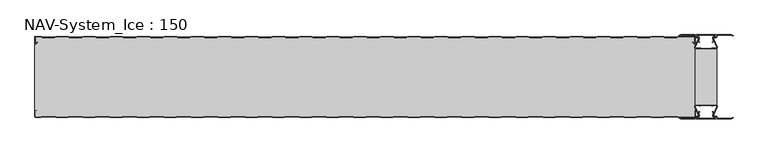
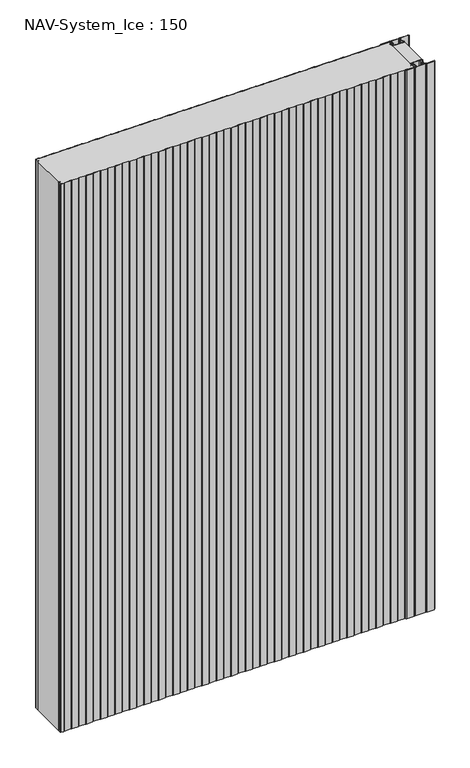
"""IFC4 building model written with IfcOpenShell, lengths in millimetres: plate geometry, NAV-System_Ice : 150."""

from ifc_helpers import new_model, si_unit, point, frame_2d, origin, origin_with_axes, place, context, project, spatial, polyline, circle_curve, trimmed, segment, composite_curve, outline, extrude, source, transform, mapped, element, save


def nav_system_ice_150_0a19c527(model_context):
    return source(origin(), model_context, "Body", "SweptSolid", [
        extrude(outline(polyline([(630.0, -126.9693935), (590.0, -126.9693935), (590.0, -23.0306065), (630.0, -23.0306065), (630.0, -126.9693935)])), origin_with_axes(), (0.0, 0.0, 1.0), 2000.0),
        extrude(outline(composite_curve([segment(trimmed(circle_curve(frame_2d((599.1138734, -141.8417863)), 3.357884), [point((596.1169606, -143.3563483))], [point((597.7243711, -138.7848813))], False, "CARTESIAN"), True, "CONTINUOUS"), segment(polyline([(597.7243711, -138.7848813), (598.0554135, -139.5131744)]), True, "CONTINUOUS"), segment(trimmed(circle_curve(frame_2d((599.1138734, -141.8417863)), 2.557884), [point((598.0554135, -139.5131744))], [point((596.8448746, -143.0226397))], True, "CARTESIAN"), True, "CONTINUOUS"), segment(polyline([(596.8448746, -143.0226397), (597.7376807, -145.2182139)]), True, "CONTINUOUS"), segment(trimmed(circle_curve(frame_2d((593.7962884, -146.3456266)), 4.0994674), [point((597.7376807, -145.2182139))], [point((593.7866434, -150.4450826))], False, "CARTESIAN"), True, "CONTINUOUS"), segment(polyline([(593.7866434, -150.4450826), (592.2194901, -150.4092333)]), True, "CONTINUOUS"), segment(trimmed(circle_curve(frame_2d((592.2592624, -151.3027113)), 0.8943628), [point((592.2194901, -150.4092333))], [point((592.2592624, -152.1970741))], True, "CARTESIAN"), True, "CONTINUOUS"), segment(polyline([(592.2592624, -152.1970741), (627.7407376, -152.1970741)]), True, "CONTINUOUS"), segment(trimmed(circle_curve(frame_2d((627.7407376, -151.3027113)), 0.8943628), [point((627.7407376, -152.1970741))], [point((627.7805099, -150.4092333))], True, "CARTESIAN"), True, "CONTINUOUS"), segment(polyline([(627.7805099, -150.4092333), (626.2133566, -150.4450826)]), True, "CONTINUOUS"), segment(trimmed(circle_curve(frame_2d((626.2037116, -146.3456266)), 4.0994674), [point((626.2133566, -150.4450826))], [point((622.2623193, -145.2182139))], False, "CARTESIAN"), True, "CONTINUOUS"), segment(polyline([(622.2623193, -145.2182139), (623.1551254, -143.0226397)]), True, "CONTINUOUS"), segment(trimmed(circle_curve(frame_2d((620.8861266, -141.8417863)), 2.557884), [point((623.1551254, -143.0226397))], [point((621.9445865, -139.5131744))], True, "CARTESIAN"), True, "CONTINUOUS"), segment(polyline([(621.9445865, -139.5131744), (622.2756289, -138.7848813)]), True, "CONTINUOUS"), segment(trimmed(circle_curve(frame_2d((620.8861266, -141.8417863)), 3.357884), [point((622.2756289, -138.7848813))], [point((623.8830394, -143.3563483))], False, "CARTESIAN"), True, "CONTINUOUS"), segment(polyline([(623.8830394, -143.3563483), (623.0205049, -145.4774793)]), True, "CONTINUOUS"), segment(trimmed(circle_curve(frame_2d((626.2037116, -146.3456266)), 3.2994674), [point((623.0205049, -145.4774793))], [point((626.2037116, -149.645094))], True, "CARTESIAN"), True, "CONTINUOUS"), segment(polyline([(626.2037116, -149.645094), (627.7848884, -149.6089239)]), True, "CONTINUOUS"), segment(trimmed(circle_curve(frame_2d((627.7407376, -151.3027113)), 1.6943628), [point((627.7848884, -149.6089239))], [point((627.7407423, -152.9970741))], False, "CARTESIAN"), True, "CONTINUOUS"), segment(polyline([(627.7407423, -152.9970741), (592.2592577, -152.9970741)]), True, "CONTINUOUS"), segment(trimmed(circle_curve(frame_2d((592.2592624, -151.3027113)), 1.6943628), [point((592.2592577, -152.9970741))], [point((592.2151116, -149.6089239))], False, "CARTESIAN"), True, "CONTINUOUS"), segment(polyline([(592.2151116, -149.6089239), (593.7962884, -149.645094)]), True, "CONTINUOUS"), segment(trimmed(circle_curve(frame_2d((593.7962884, -146.3456266)), 3.2994674), [point((593.7962884, -149.645094))], [point((596.9794951, -145.4774793))], True, "CARTESIAN"), True, "CONTINUOUS"), segment(polyline([(596.9794951, -145.4774793), (596.1169606, -143.3563483)]), True, "CONTINUOUS")], self_intersect=False)), origin_with_axes(), (0.0, 0.0, 1.0), 2000.0),
        extrude(outline(composite_curve([segment(polyline([(596.1169606, -6.6436517), (596.9794951, -4.5225207)]), True, "CONTINUOUS"), segment(trimmed(circle_curve(frame_2d((593.7962884, -3.6543734)), 3.2994674), [point((596.9794951, -4.5225207))], [point((593.7962884, -0.354906))], True, "CARTESIAN"), True, "CONTINUOUS"), segment(polyline([(593.7962884, -0.354906), (592.2151116, -0.3910761)]), True, "CONTINUOUS"), segment(trimmed(circle_curve(frame_2d((592.2592624, 1.3027113)), 1.6943628), [point((592.2151116, -0.3910761))], [point((592.2592577, 2.9970741))], False, "CARTESIAN"), True, "CONTINUOUS"), segment(polyline([(592.2592577, 2.9970741), (627.7407423, 2.9970741)]), True, "CONTINUOUS"), segment(trimmed(circle_curve(frame_2d((627.7407376, 1.3027113)), 1.6943628), [point((627.7407423, 2.9970741))], [point((627.7848884, -0.3910761))], False, "CARTESIAN"), True, "CONTINUOUS"), segment(polyline([(627.7848884, -0.3910761), (626.2037116, -0.354906)]), True, "CONTINUOUS"), segment(trimmed(circle_curve(frame_2d((626.2037116, -3.6543734)), 3.2994674), [point((626.2037116, -0.354906))], [point((623.0205049, -4.5225207))], True, "CARTESIAN"), True, "CONTINUOUS"), segment(polyline([(623.0205049, -4.5225207), (623.8830394, -6.6436517)]), True, "CONTINUOUS"), segment(trimmed(circle_curve(frame_2d((620.8861266, -8.1582137)), 3.357884), [point((623.8830394, -6.6436517))], [point((622.2756289, -11.2151187))], False, "CARTESIAN"), True, "CONTINUOUS"), segment(polyline([(622.2756289, -11.2151187), (621.9445865, -10.4868256)]), True, "CONTINUOUS"), segment(trimmed(circle_curve(frame_2d((620.8861266, -8.1582137)), 2.557884), [point((621.9445865, -10.4868256))], [point((623.1551254, -6.9773603))], True, "CARTESIAN"), True, "CONTINUOUS"), segment(polyline([(623.1551254, -6.9773603), (622.2623193, -4.7817861)]), True, "CONTINUOUS"), segment(trimmed(circle_curve(frame_2d((626.2037116, -3.6543734)), 4.0994674), [point((622.2623193, -4.7817861))], [point((626.2133566, 0.4450826))], False, "CARTESIAN"), True, "CONTINUOUS"), segment(polyline([(626.2133566, 0.4450826), (627.7805099, 0.4092333)]), True, "CONTINUOUS"), segment(trimmed(circle_curve(frame_2d((627.7407376, 1.3027113)), 0.8943628), [point((627.7805099, 0.4092333))], [point((627.7407376, 2.1970741))], True, "CARTESIAN"), True, "CONTINUOUS"), segment(polyline([(627.7407376, 2.1970741), (592.2592624, 2.1970741)]), True, "CONTINUOUS"), segment(trimmed(circle_curve(frame_2d((592.2592624, 1.3027113)), 0.8943628), [point((592.2592624, 2.1970741))], [point((592.2194901, 0.4092333))], True, "CARTESIAN"), True, "CONTINUOUS"), segment(polyline([(592.2194901, 0.4092333), (593.7866434, 0.4450826)]), True, "CONTINUOUS"), segment(trimmed(circle_curve(frame_2d((593.7962884, -3.6543734)), 4.0994674), [point((593.7866434, 0.4450826))], [point((597.7376807, -4.7817861))], False, "CARTESIAN"), True, "CONTINUOUS"), segment(polyline([(597.7376807, -4.7817861), (596.8448746, -6.9773603)]), True, "CONTINUOUS"), segment(trimmed(circle_curve(frame_2d((599.1138734, -8.1582137)), 2.557884), [point((596.8448746, -6.9773603))], [point((598.0554135, -10.4868256))], True, "CARTESIAN"), True, "CONTINUOUS"), segment(polyline([(598.0554135, -10.4868256), (597.7243711, -11.2151187)]), True, "CONTINUOUS"), segment(trimmed(circle_curve(frame_2d((599.1138734, -8.1582137)), 3.357884), [point((597.7243711, -11.2151187))], [point((596.1169606, -6.6436517))], False, "CARTESIAN"), True, "CONTINUOUS")], self_intersect=False)), origin_with_axes(), (0.0, 0.0, 1.0), 2000.0),
        extrude(outline(composite_curve([segment(trimmed(circle_curve(frame_2d((591.9446371, -129.7746821)), 1.80576), [point((591.9446371, -127.9689221))], [point((590.2170288, -130.300171))], True, "CARTESIAN"), True, "CONTINUOUS"), segment(polyline([(590.2170288, -130.300171), (596.4690067, -144.9459892)]), True, "CONTINUOUS"), segment(trimmed(circle_curve(frame_2d((593.7254406, -145.9868127)), 2.93436), [point((596.4690067, -144.9459892))], [point((593.7254406, -148.9211727))], False, "CARTESIAN"), True, "CONTINUOUS"), segment(polyline([(593.7254406, -148.9211727), (592.1347887, -148.9211727)]), True, "CONTINUOUS"), segment(trimmed(circle_curve(frame_2d((592.1347887, -150.5012127)), 1.58004), [point((592.1347887, -148.9211727))], [point((590.931072, -149.4776931))], True, "CARTESIAN"), True, "CONTINUOUS"), segment(polyline([(590.931072, -149.4776931), (589.0191946, -153.0112573), (562.9417977, -153.0112573), (560.0, -151.2043676), (560.523373, -150.3522639), (563.2243806, -152.0112573), (588.4232658, -152.0112573), (590.0952671, -148.9210361)]), True, "CONTINUOUS"), segment(trimmed(circle_curve(frame_2d((592.1347887, -150.5012127)), 2.58004), [point((590.0952671, -148.9210361))], [point((592.1347887, -147.9211727))], False, "CARTESIAN"), True, "CONTINUOUS"), segment(polyline([(592.1347887, -147.9211727), (593.7254406, -147.9211727)]), True, "CONTINUOUS"), segment(trimmed(circle_curve(frame_2d((593.7254406, -145.9868127)), 1.93436), [point((593.7254406, -147.9211727))], [point((595.5404425, -145.3178459))], True, "CARTESIAN"), True, "CONTINUOUS"), segment(polyline([(595.5404425, -145.3178459), (589.2784311, -130.6484726)]), True, "CONTINUOUS"), segment(trimmed(circle_curve(frame_2d((591.9446225, -129.7747413)), 2.8057055), [point((589.2784311, -130.6484726))], [point((591.9446225, -126.9690357))], False, "CARTESIAN"), True, "CONTINUOUS"), segment(polyline([(591.9446225, -126.9690357), (595.755568, -126.9690357)]), True, "CONTINUOUS"), segment(trimmed(circle_curve(frame_2d((595.7555679, -129.0975873)), 2.1285516), [point((595.755568, -126.9690357))], [point((597.1042828, -127.4508633))], False, "CARTESIAN"), True, "CONTINUOUS"), segment(trimmed(circle_curve(frame_2d((598.2552034, -126.0456377)), 1.8163913), [point((597.1042828, -127.4508633))], [point((599.4059468, -127.4510085))], True, "CARTESIAN"), True, "CONTINUOUS"), segment(trimmed(circle_curve(frame_2d((600.7543352, -129.0977575)), 2.128364), [point((599.4059468, -127.4510085))], [point((600.7543352, -126.9693935))], False, "CARTESIAN"), True, "CONTINUOUS"), segment(polyline([(600.7543352, -126.9693935), (619.2454674, -126.9693935)]), True, "CONTINUOUS"), segment(trimmed(circle_curve(frame_2d((619.2454674, -129.0977884)), 2.1283949), [point((619.2454674, -126.9693935))], [point((620.594293, -127.4513576))], False, "CARTESIAN"), True, "CONTINUOUS"), segment(trimmed(circle_curve(frame_2d((621.7456338, -126.0459847)), 1.8167715), [point((620.594293, -127.4513576))], [point((622.8963798, -127.4518446))], True, "CARTESIAN"), True, "CONTINUOUS"), segment(trimmed(circle_curve(frame_2d((624.244105, -129.0983528)), 2.1277576), [point((622.8963798, -127.4518446))], [point((624.244105, -126.9705952))], False, "CARTESIAN"), True, "CONTINUOUS"), segment(polyline([(624.244105, -126.9705952), (628.0535675, -126.9705952)]), True, "CONTINUOUS"), segment(trimmed(circle_curve(frame_2d((628.0535675, -129.7787791)), 2.8081839), [point((628.0535675, -126.9705952))], [point((630.7287795, -130.6326746))], False, "CARTESIAN"), True, "CONTINUOUS"), segment(polyline([(630.7287795, -130.6326746), (624.4595575, -145.3178459)]), True, "CONTINUOUS"), segment(trimmed(circle_curve(frame_2d((626.2745595, -145.9868127)), 1.93436), [point((624.4595575, -145.3178459))], [point((626.2745595, -147.9211727))], True, "CARTESIAN"), True, "CONTINUOUS"), segment(polyline([(626.2745595, -147.9211727), (627.8652113, -147.9211727)]), True, "CONTINUOUS"), segment(trimmed(circle_curve(frame_2d((627.8652113, -150.5012127)), 2.58004), [point((627.8652113, -147.9211727))], [point((629.9047329, -148.9210361))], False, "CARTESIAN"), True, "CONTINUOUS"), segment(polyline([(629.9047329, -148.9210361), (631.5767342, -152.0112573), (656.7756194, -152.0112573), (659.476627, -150.3522639), (660.0, -151.2043676), (657.0582024, -153.0112573), (630.9808054, -153.0112573), (629.068928, -149.4776931)]), True, "CONTINUOUS"), segment(trimmed(circle_curve(frame_2d((627.8652113, -150.5012127)), 1.58004), [point((629.068928, -149.4776931))], [point((627.8652113, -148.9211727))], True, "CARTESIAN"), True, "CONTINUOUS"), segment(polyline([(627.8652113, -148.9211727), (626.2745595, -148.9211727)]), True, "CONTINUOUS"), segment(trimmed(circle_curve(frame_2d((626.2745595, -145.9868127)), 2.93436), [point((626.2745595, -148.9211727))], [point((623.5309933, -144.9459892))], False, "CARTESIAN"), True, "CONTINUOUS"), segment(polyline([(623.5309933, -144.9459892), (629.7829713, -130.300171)]), True, "CONTINUOUS"), segment(trimmed(circle_curve(frame_2d((628.0553629, -129.7746822)), 1.80576), [point((629.7829713, -130.300171))], [point((628.0553629, -127.9689222))], True, "CARTESIAN"), True, "CONTINUOUS"), segment(polyline([(628.0553629, -127.9689222), (623.5184731, -127.9689222)]), True, "CONTINUOUS"), segment(trimmed(circle_curve(frame_2d((621.7449981, -126.0455076)), 2.6162449), [point((623.5184731, -127.9689222))], [point((619.7766029, -127.7689222))], False, "CARTESIAN"), True, "CONTINUOUS"), segment(polyline([(619.7766029, -127.7689222), (600.2233971, -127.7689222)]), True, "CONTINUOUS"), segment(trimmed(circle_curve(frame_2d((598.255002, -126.0455076)), 2.6162449), [point((600.2233971, -127.7689222))], [point((596.4815269, -127.9689221))], False, "CARTESIAN"), True, "CONTINUOUS"), segment(polyline([(596.4815269, -127.9689221), (591.9446371, -127.9689221)]), True, "CONTINUOUS")], self_intersect=False)), origin_with_axes(), (0.0, 0.0, 1.0), 2000.0),
        extrude(outline(composite_curve([segment(polyline([(591.9446371, -22.0310778), (596.4815269, -22.0310778)]), True, "CONTINUOUS"), segment(trimmed(circle_curve(frame_2d((598.2550019, -23.9544924)), 2.6162449), [point((596.4815269, -22.0310778))], [point((600.2233971, -22.2310778))], False, "CARTESIAN"), True, "CONTINUOUS"), segment(polyline([(600.2233971, -22.2310778), (619.7766029, -22.2310778)]), True, "CONTINUOUS"), segment(trimmed(circle_curve(frame_2d((621.7449981, -23.9544924)), 2.6162449), [point((619.7766029, -22.2310778))], [point((623.5184731, -22.0310778))], False, "CARTESIAN"), True, "CONTINUOUS"), segment(polyline([(623.5184731, -22.0310778), (628.0553629, -22.0310778)]), True, "CONTINUOUS"), segment(trimmed(circle_curve(frame_2d((628.0553629, -20.2253178)), 1.80576), [point((628.0553629, -22.0310778))], [point((629.7829712, -19.699829))], True, "CARTESIAN"), True, "CONTINUOUS"), segment(polyline([(629.7829712, -19.699829), (623.5309933, -5.0540108)]), True, "CONTINUOUS"), segment(trimmed(circle_curve(frame_2d((626.2745594, -4.0131873)), 2.93436), [point((623.5309933, -5.0540108))], [point((626.2745594, -1.0788273))], False, "CARTESIAN"), True, "CONTINUOUS"), segment(polyline([(626.2745594, -1.0788273), (627.8652113, -1.0788273)]), True, "CONTINUOUS"), segment(trimmed(circle_curve(frame_2d((627.8652113, 0.5012127)), 1.58004), [point((627.8652113, -1.0788273))], [point((629.068928, -0.5223069))], True, "CARTESIAN"), True, "CONTINUOUS"), segment(polyline([(629.068928, -0.5223069), (630.9808054, 3.0112573), (657.0582023, 3.0112573), (660.0, 1.2043676), (659.476627, 0.3522639), (656.7756194, 2.0112573), (631.5767342, 2.0112573), (629.9047329, -1.0789639)]), True, "CONTINUOUS"), segment(trimmed(circle_curve(frame_2d((627.8652113, 0.5012127)), 2.58004), [point((629.9047329, -1.0789639))], [point((627.8652113, -2.0788273))], False, "CARTESIAN"), True, "CONTINUOUS"), segment(polyline([(627.8652113, -2.0788273), (626.2745594, -2.0788273)]), True, "CONTINUOUS"), segment(trimmed(circle_curve(frame_2d((626.2745594, -4.0131873)), 1.93436), [point((626.2745594, -2.0788273))], [point((624.4595575, -4.6821541))], True, "CARTESIAN"), True, "CONTINUOUS"), segment(polyline([(624.4595575, -4.6821541), (630.7287795, -19.3673254)]), True, "CONTINUOUS"), segment(trimmed(circle_curve(frame_2d((628.0535675, -20.2212209)), 2.8081839), [point((630.7287795, -19.3673254))], [point((628.0535675, -23.0294048))], False, "CARTESIAN"), True, "CONTINUOUS"), segment(polyline([(628.0535675, -23.0294048), (624.244105, -23.0294048)]), True, "CONTINUOUS"), segment(trimmed(circle_curve(frame_2d((624.244105, -20.9016472)), 2.1277576), [point((624.244105, -23.0294048))], [point((622.8963798, -22.5481554))], False, "CARTESIAN"), True, "CONTINUOUS"), segment(trimmed(circle_curve(frame_2d((621.7456337, -23.9540153)), 1.8167716), [point((622.8963798, -22.5481554))], [point((620.5942929, -22.5486423))], True, "CARTESIAN"), True, "CONTINUOUS"), segment(trimmed(circle_curve(frame_2d((619.2454674, -20.9022116)), 2.1283949), [point((620.5942929, -22.5486423))], [point((619.2454674, -23.0306065))], False, "CARTESIAN"), True, "CONTINUOUS"), segment(polyline([(619.2454674, -23.0306065), (600.7543352, -23.0306065)]), True, "CONTINUOUS"), segment(trimmed(circle_curve(frame_2d((600.7543352, -20.9022425)), 2.128364), [point((600.7543352, -23.0306065))], [point((599.4059468, -22.5489915))], False, "CARTESIAN"), True, "CONTINUOUS"), segment(trimmed(circle_curve(frame_2d((598.2552034, -23.9543623)), 1.8163912), [point((599.4059468, -22.5489915))], [point((597.1042828, -22.5491367))], True, "CARTESIAN"), True, "CONTINUOUS"), segment(trimmed(circle_curve(frame_2d((595.7555679, -20.9024127)), 2.1285516), [point((597.1042828, -22.5491367))], [point((595.7555679, -23.0309643))], False, "CARTESIAN"), True, "CONTINUOUS"), segment(polyline([(595.7555679, -23.0309643), (591.9446225, -23.0309643)]), True, "CONTINUOUS"), segment(trimmed(circle_curve(frame_2d((591.9446225, -20.2252587)), 2.8057055), [point((591.9446225, -23.0309643))], [point((589.2784311, -19.3515274))], False, "CARTESIAN"), True, "CONTINUOUS"), segment(polyline([(589.2784311, -19.3515274), (595.5404425, -4.6821541)]), True, "CONTINUOUS"), segment(trimmed(circle_curve(frame_2d((593.7254406, -4.0131873)), 1.93436), [point((595.5404425, -4.6821541))], [point((593.7254406, -2.0788273))], True, "CARTESIAN"), True, "CONTINUOUS"), segment(polyline([(593.7254406, -2.0788273), (592.1347887, -2.0788273)]), True, "CONTINUOUS"), segment(trimmed(circle_curve(frame_2d((592.1347887, 0.5012127)), 2.58004), [point((592.1347887, -2.0788273))], [point((590.0952671, -1.0789639))], False, "CARTESIAN"), True, "CONTINUOUS"), segment(polyline([(590.0952671, -1.0789639), (588.4232658, 2.0112573), (563.2243806, 2.0112573), (560.523373, 0.3522639), (560.0, 1.2043676), (562.9417977, 3.0112573), (589.0191946, 3.0112573), (590.931072, -0.5223069)]), True, "CONTINUOUS"), segment(trimmed(circle_curve(frame_2d((592.1347887, 0.5012127)), 1.58004), [point((590.931072, -0.5223069))], [point((592.1347887, -1.0788273))], True, "CARTESIAN"), True, "CONTINUOUS"), segment(polyline([(592.1347887, -1.0788273), (593.7254406, -1.0788273)]), True, "CONTINUOUS"), segment(trimmed(circle_curve(frame_2d((593.7254406, -4.0131873)), 2.93436), [point((593.7254406, -1.0788273))], [point((596.4690067, -5.0540108))], False, "CARTESIAN"), True, "CONTINUOUS"), segment(polyline([(596.4690067, -5.0540108), (590.2170288, -19.699829)]), True, "CONTINUOUS"), segment(trimmed(circle_curve(frame_2d((591.9446371, -20.2253178)), 1.80576), [point((590.2170288, -19.699829))], [point((591.9446371, -22.0310778))], True, "CARTESIAN"), True, "CONTINUOUS")], self_intersect=False)), origin_with_axes(), (0.0, 0.0, 1.0), 2000.0),
        extrude(outline(composite_curve([segment(polyline([(559.1298221, -0.8), (556.1298221, -1.8), (533.8701779, -1.8), (530.8701779, -0.8), (509.1298221, -0.8), (506.1298221, -1.8), (483.8701779, -1.8), (480.8701779, -0.8), (459.1298221, -0.8), (456.1298221, -1.8), (433.8701779, -1.8), (430.8701779, -0.8), (409.1298221, -0.8), (406.1298221, -1.8), (383.8701779, -1.8), (380.8701779, -0.8), (359.1298221, -0.8), (356.1298221, -1.8), (333.8701779, -1.8), (330.8701779, -0.8), (309.1298221, -0.8), (306.1298221, -1.8), (283.8701779, -1.8), (280.8701779, -0.8), (259.1298221, -0.8), (256.1298221, -1.8), (233.8701779, -1.8), (230.8701779, -0.8), (209.1298221, -0.8), (206.1298221, -1.8), (183.8701779, -1.8), (180.8701779, -0.8), (159.1298221, -0.8), (156.1298221, -1.8), (133.8701779, -1.8), (130.8701779, -0.8), (109.1298221, -0.8), (106.1298221, -1.8), (83.8701779, -1.8), (80.8701779, -0.8), (59.1298221, -0.8), (56.1298221, -1.8), (33.8701779, -1.8), (30.8701779, -0.8), (9.1298221, -0.8), (6.1298221, -1.8), (-16.1298221, -1.8), (-19.1298221, -0.8), (-40.8701779, -0.8), (-43.8701779, -1.8), (-66.1298221, -1.8), (-69.1298221, -0.8), (-90.8701779, -0.8), (-93.8701779, -1.8), (-116.1298221, -1.8), (-119.1298221, -0.8), (-140.8701779, -0.8), (-143.8701779, -1.8), (-166.1298221, -1.8), (-169.1298221, -0.8), (-190.8701779, -0.8), (-193.8701779, -1.8), (-216.1298221, -1.8), (-219.1298221, -0.8), (-240.8701779, -0.8), (-243.8701779, -1.8), (-266.1298221, -1.8), (-269.1298221, -0.8), (-290.8701779, -0.8), (-293.8701779, -1.8), (-316.1298221, -1.8), (-319.1298221, -0.8), (-340.8701779, -0.8), (-343.8701779, -1.8), (-366.1298221, -1.8), (-369.1298221, -0.8), (-390.8701779, -0.8), (-393.8701779, -1.8), (-416.1298221, -1.8), (-419.1298221, -0.8), (-440.8701779, -0.8), (-443.8701779, -1.8), (-466.1298221, -1.8), (-469.1298221, -0.8), (-490.8701779, -0.8), (-493.8701779, -1.8), (-516.1298221, -1.8), (-519.1298221, -0.8), (-540.8701779, -0.8), (-543.8701779, -1.8), (-566.1298221, -1.8), (-569.1298221, -0.8), (-590.8701779, -0.8), (-593.8701779, -1.8), (-616.1298221, -1.8), (-619.1298221, -0.8), (-628.7, -0.8)]), True, "CONTINUOUS"), segment(trimmed(circle_curve(frame_2d((-628.7, -1.3)), 0.5), [point((-628.7, -0.8))], [point((-629.2, -1.3))], True, "CARTESIAN"), True, "CONTINUOUS"), segment(polyline([(-629.2, -1.3), (-629.2, -12.5857864)]), True, "CONTINUOUS"), segment(trimmed(circle_curve(frame_2d((-628.7, -12.5857864)), 0.5), [point((-629.2, -12.5857864))], [point((-628.3464466, -12.9393398))], True, "CARTESIAN"), True, "CONTINUOUS"), segment(polyline([(-628.3464466, -12.9393398), (-625.9205321, -10.5134253), (-625.3548467, -11.0791108), (-627.7807612, -13.5050253)]), True, "CONTINUOUS"), segment(trimmed(circle_curve(frame_2d((-628.7, -12.5857864)), 1.3), [point((-627.7807612, -13.5050253))], [point((-630.0, -12.5857864))], False, "CARTESIAN"), True, "CONTINUOUS"), segment(polyline([(-630.0, -12.5857864), (-630.0, -1.3)]), True, "CONTINUOUS"), segment(trimmed(circle_curve(frame_2d((-628.7, -1.3)), 1.3), [point((-630.0, -1.3))], [point((-628.7, 0.0))], False, "CARTESIAN"), True, "CONTINUOUS"), segment(polyline([(-628.7, 0.0), (-619.0, 0.0), (-616.0, -1.0), (-594.0, -1.0), (-591.0, 0.0), (-569.0, 0.0), (-566.0, -1.0), (-544.0, -1.0), (-541.0, 0.0), (-519.0, 0.0), (-516.0, -1.0), (-494.0, -1.0), (-491.0, 0.0), (-469.0, 0.0), (-466.0, -1.0), (-444.0, -1.0), (-441.0, 0.0), (-419.0, 0.0), (-416.0, -1.0), (-394.0, -1.0), (-391.0, 0.0), (-369.0, 0.0), (-366.0, -1.0), (-344.0, -1.0), (-341.0, 0.0), (-319.0, 0.0), (-316.0, -1.0), (-294.0, -1.0), (-291.0, 0.0), (-269.0, 0.0), (-266.0, -1.0), (-244.0, -1.0), (-241.0, 0.0), (-219.0, 0.0), (-216.0, -1.0), (-194.0, -1.0), (-191.0, 0.0), (-169.0, 0.0), (-166.0, -1.0), (-144.0, -1.0), (-141.0, 0.0), (-119.0, 0.0), (-116.0, -1.0), (-94.0, -1.0), (-91.0, 0.0), (-69.0, 0.0), (-66.0, -1.0), (-44.0, -1.0), (-41.0, 0.0), (-19.0, 0.0), (-16.0, -1.0), (6.0, -1.0), (9.0, 0.0), (31.0, 0.0), (34.0, -1.0), (56.0, -1.0), (59.0, 0.0), (81.0, 0.0), (84.0, -1.0), (106.0, -1.0), (109.0, 0.0), (131.0, 0.0), (134.0, -1.0), (156.0, -1.0), (159.0, 0.0), (181.0, 0.0), (184.0, -1.0), (206.0, -1.0), (209.0, 0.0), (231.0, 0.0), (234.0, -1.0), (256.0, -1.0), (259.0, 0.0), (281.0, 0.0), (284.0, -1.0), (306.0, -1.0), (309.0, 0.0), (331.0, 0.0), (334.0, -1.0), (356.0, -1.0), (359.0, 0.0), (381.0, 0.0), (384.0, -1.0), (406.0, -1.0), (409.0, 0.0), (431.0, 0.0), (434.0, -1.0), (456.0, -1.0), (459.0, 0.0), (481.0, 0.0), (484.0, -1.0), (506.0, -1.0), (509.0, 0.0), (531.0, 0.0), (534.0, -1.0), (556.0, -1.0), (559.0, 0.0), (588.7, 0.0)]), True, "CONTINUOUS"), segment(trimmed(circle_curve(frame_2d((588.7, -1.3)), 1.3), [point((588.7, 0.0))], [point((590.0, -1.3))], False, "CARTESIAN"), True, "CONTINUOUS"), segment(polyline([(590.0, -1.3), (590.0, -12.5857864)]), True, "CONTINUOUS"), segment(trimmed(circle_curve(frame_2d((588.7, -12.5857864)), 1.3), [point((590.0, -12.5857864))], [point((587.7807612, -13.5050253))], False, "CARTESIAN"), True, "CONTINUOUS"), segment(polyline([(587.7807612, -13.5050253), (585.3548467, -11.0791108), (585.9205321, -10.5134253), (588.3464466, -12.9393398)]), True, "CONTINUOUS"), segment(trimmed(circle_curve(frame_2d((588.7, -12.5857864)), 0.5), [point((588.3464466, -12.9393398))], [point((589.2, -12.5857864))], True, "CARTESIAN"), True, "CONTINUOUS"), segment(polyline([(589.2, -12.5857864), (589.2, -1.3)]), True, "CONTINUOUS"), segment(trimmed(circle_curve(frame_2d((588.7, -1.3)), 0.5), [point((589.2, -1.3))], [point((588.7, -0.8))], True, "CARTESIAN"), True, "CONTINUOUS"), segment(polyline([(588.7, -0.8), (559.1298221, -0.8)]), True, "CONTINUOUS")], self_intersect=False)), origin_with_axes(), (0.0, 0.0, 1.0), 2000.0),
        extrude(outline(composite_curve([segment(polyline([(559.1298221, -0.8), (588.7, -0.8)]), True, "CONTINUOUS"), segment(trimmed(circle_curve(frame_2d((588.7, -1.3)), 0.5), [point((588.7, -0.8))], [point((589.2, -1.3))], False, "CARTESIAN"), True, "CONTINUOUS"), segment(polyline([(589.2, -1.3), (589.2, -12.5857864)]), True, "CONTINUOUS"), segment(trimmed(circle_curve(frame_2d((588.7, -12.5857864)), 0.5), [point((589.2, -12.5857864))], [point((588.3464466, -12.9393398))], False, "CARTESIAN"), True, "CONTINUOUS"), segment(polyline([(588.3464466, -12.9393398), (585.9205321, -10.5134253), (585.3548467, -11.0791108), (587.7807612, -13.5050253)]), True, "CONTINUOUS"), segment(trimmed(circle_curve(frame_2d((588.7, -12.5857864)), 1.3), [point((587.7807612, -13.5050253))], [point((588.7, -13.8857864))], True, "CARTESIAN"), True, "CONTINUOUS"), segment(polyline([(588.7, -13.8857864), (590.0, -13.8857864), (590.0, -136.1142136), (588.7, -136.1142136)]), True, "CONTINUOUS"), segment(trimmed(circle_curve(frame_2d((588.7, -137.4142136)), 1.3), [point((588.7, -136.1142136))], [point((587.7807612, -136.4949747))], True, "CARTESIAN"), True, "CONTINUOUS"), segment(polyline([(587.7807612, -136.4949747), (585.3548467, -138.9208892), (585.9205321, -139.4865747), (588.3464466, -137.0606602)]), True, "CONTINUOUS"), segment(trimmed(circle_curve(frame_2d((588.7, -137.4142136)), 0.5), [point((588.3464466, -137.0606602))], [point((589.2, -137.4142136))], False, "CARTESIAN"), True, "CONTINUOUS"), segment(polyline([(589.2, -137.4142136), (589.2, -148.7)]), True, "CONTINUOUS"), segment(trimmed(circle_curve(frame_2d((588.7, -148.7)), 0.5), [point((589.2, -148.7))], [point((588.7, -149.2))], False, "CARTESIAN"), True, "CONTINUOUS"), segment(polyline([(588.7, -149.2), (559.1298221, -149.2), (556.1298221, -148.2), (533.8701779, -148.2), (530.8701779, -149.2), (509.1298221, -149.2), (506.1298221, -148.2), (483.8701779, -148.2), (480.8701779, -149.2), (459.1298221, -149.2), (456.1298221, -148.2), (433.8701779, -148.2), (430.8701779, -149.2), (409.1298221, -149.2), (406.1298221, -148.2), (383.8701779, -148.2), (380.8701779, -149.2), (359.1298221, -149.2), (356.1298221, -148.2), (333.8701779, -148.2), (330.8701779, -149.2), (309.1298221, -149.2), (306.1298221, -148.2), (283.8701779, -148.2), (280.8701779, -149.2), (259.1298221, -149.2), (256.1298221, -148.2), (233.8701779, -148.2), (230.8701779, -149.2), (209.1298221, -149.2), (206.1298221, -148.2), (183.8701779, -148.2), (180.8701779, -149.2), (159.1298221, -149.2), (156.1298221, -148.2), (133.8701779, -148.2), (130.8701779, -149.2), (109.1298221, -149.2), (106.1298221, -148.2), (83.8701779, -148.2), (80.8701779, -149.2), (59.1298221, -149.2), (56.1298221, -148.2), (33.8701779, -148.2), (30.8701779, -149.2), (9.1298221, -149.2), (6.1298221, -148.2), (-16.1298221, -148.2), (-19.1298221, -149.2), (-40.8701779, -149.2), (-43.8701779, -148.2), (-66.1298221, -148.2), (-69.1298221, -149.2), (-90.8701779, -149.2), (-93.8701779, -148.2), (-116.1298221, -148.2), (-119.1298221, -149.2), (-140.8701779, -149.2), (-143.8701779, -148.2), (-166.1298221, -148.2), (-169.1298221, -149.2), (-190.8701779, -149.2), (-193.8701779, -148.2), (-216.1298221, -148.2), (-219.1298221, -149.2), (-240.8701779, -149.2), (-243.8701779, -148.2), (-266.1298221, -148.2), (-269.1298221, -149.2), (-290.8701779, -149.2), (-293.8701779, -148.2), (-316.1298221, -148.2), (-319.1298221, -149.2), (-340.8701779, -149.2), (-343.8701779, -148.2), (-366.1298221, -148.2), (-369.1298221, -149.2), (-390.8701779, -149.2), (-393.8701779, -148.2), (-416.1298221, -148.2), (-419.1298221, -149.2), (-440.8701779, -149.2), (-443.8701779, -148.2), (-466.1298221, -148.2), (-469.1298221, -149.2), (-490.8701779, -149.2), (-493.8701779, -148.2), (-516.1298221, -148.2), (-519.1298221, -149.2), (-540.8701779, -149.2), (-543.8701779, -148.2), (-566.1298221, -148.2), (-569.1298221, -149.2), (-590.8701779, -149.2), (-593.8701779, -148.2), (-616.1298221, -148.2), (-619.1298221, -149.2), (-628.7, -149.2)]), True, "CONTINUOUS"), segment(trimmed(circle_curve(frame_2d((-628.7, -148.7)), 0.5), [point((-628.7, -149.2))], [point((-629.2, -148.7))], False, "CARTESIAN"), True, "CONTINUOUS"), segment(polyline([(-629.2, -148.7), (-629.2, -137.4142136)]), True, "CONTINUOUS"), segment(trimmed(circle_curve(frame_2d((-628.7, -137.4142136)), 0.5), [point((-629.2, -137.4142136))], [point((-628.3464466, -137.0606602))], False, "CARTESIAN"), True, "CONTINUOUS"), segment(polyline([(-628.3464466, -137.0606602), (-625.9205321, -139.4865747), (-625.3548467, -138.9208892), (-627.7807612, -136.4949747)]), True, "CONTINUOUS"), segment(trimmed(circle_curve(frame_2d((-628.7, -137.4142136)), 1.3), [point((-627.7807612, -136.4949747))], [point((-628.7, -136.1142136))], True, "CARTESIAN"), True, "CONTINUOUS"), segment(polyline([(-628.7, -136.1142136), (-630.0, -136.1142136), (-630.0, -13.8857864), (-628.7, -13.8857864)]), True, "CONTINUOUS"), segment(trimmed(circle_curve(frame_2d((-628.7, -12.5857864)), 1.3), [point((-628.7, -13.8857864))], [point((-627.7807612, -13.5050253))], True, "CARTESIAN"), True, "CONTINUOUS"), segment(polyline([(-627.7807612, -13.5050253), (-625.3548467, -11.0791108), (-625.9205321, -10.5134253), (-628.3464466, -12.9393398)]), True, "CONTINUOUS"), segment(trimmed(circle_curve(frame_2d((-628.7, -12.5857864)), 0.5), [point((-628.3464466, -12.9393398))], [point((-629.2, -12.5857864))], False, "CARTESIAN"), True, "CONTINUOUS"), segment(polyline([(-629.2, -12.5857864), (-629.2, -1.3)]), True, "CONTINUOUS"), segment(trimmed(circle_curve(frame_2d((-628.7, -1.3)), 0.5), [point((-629.2, -1.3))], [point((-628.7, -0.8))], False, "CARTESIAN"), True, "CONTINUOUS"), segment(polyline([(-628.7, -0.8), (-619.1298221, -0.8), (-616.1298221, -1.8), (-593.8701779, -1.8), (-590.8701779, -0.8), (-569.1298221, -0.8), (-566.1298221, -1.8), (-543.8701779, -1.8), (-540.8701779, -0.8), (-519.1298221, -0.8), (-516.1298221, -1.8), (-493.8701779, -1.8), (-490.8701779, -0.8), (-469.1298221, -0.8), (-466.1298221, -1.8), (-443.8701779, -1.8), (-440.8701779, -0.8), (-419.1298221, -0.8), (-416.1298221, -1.8), (-393.8701779, -1.8), (-390.8701779, -0.8), (-369.1298221, -0.8), (-366.1298221, -1.8), (-343.8701779, -1.8), (-340.8701779, -0.8), (-319.1298221, -0.8), (-316.1298221, -1.8), (-293.8701779, -1.8), (-290.8701779, -0.8), (-269.1298221, -0.8), (-266.1298221, -1.8), (-243.8701779, -1.8), (-240.8701779, -0.8), (-219.1298221, -0.8), (-216.1298221, -1.8), (-193.8701779, -1.8), (-190.8701779, -0.8), (-169.1298221, -0.8), (-166.1298221, -1.8), (-143.8701779, -1.8), (-140.8701779, -0.8), (-119.1298221, -0.8), (-116.1298221, -1.8), (-93.8701779, -1.8), (-90.8701779, -0.8), (-69.1298221, -0.8), (-66.1298221, -1.8), (-43.8701779, -1.8), (-40.8701779, -0.8), (-19.1298221, -0.8), (-16.1298221, -1.8), (6.1298221, -1.8), (9.1298221, -0.8), (30.8701779, -0.8), (33.8701779, -1.8), (56.1298221, -1.8), (59.1298221, -0.8), (80.8701779, -0.8), (83.8701779, -1.8), (106.1298221, -1.8), (109.1298221, -0.8), (130.8701779, -0.8), (133.8701779, -1.8), (156.1298221, -1.8), (159.1298221, -0.8), (180.8701779, -0.8), (183.8701779, -1.8), (206.1298221, -1.8), (209.1298221, -0.8), (230.8701779, -0.8), (233.8701779, -1.8), (256.1298221, -1.8), (259.1298221, -0.8), (280.8701779, -0.8), (283.8701779, -1.8), (306.1298221, -1.8), (309.1298221, -0.8), (330.8701779, -0.8), (333.8701779, -1.8), (356.1298221, -1.8), (359.1298221, -0.8), (380.8701779, -0.8), (383.8701779, -1.8), (406.1298221, -1.8), (409.1298221, -0.8), (430.8701779, -0.8), (433.8701779, -1.8), (456.1298221, -1.8), (459.1298221, -0.8), (480.8701779, -0.8), (483.8701779, -1.8), (506.1298221, -1.8), (509.1298221, -0.8), (530.8701779, -0.8), (533.8701779, -1.8), (556.1298221, -1.8), (559.1298221, -0.8)]), True, "CONTINUOUS")], self_intersect=False)), origin_with_axes(), (0.0, 0.0, 1.0), 2000.0),
        extrude(outline(composite_curve([segment(polyline([(559.1298221, -149.2), (588.7, -149.2)]), True, "CONTINUOUS"), segment(trimmed(circle_curve(frame_2d((588.7, -148.7)), 0.5), [point((588.7, -149.2))], [point((589.2, -148.7))], True, "CARTESIAN"), True, "CONTINUOUS"), segment(polyline([(589.2, -148.7), (589.2, -137.4142136)]), True, "CONTINUOUS"), segment(trimmed(circle_curve(frame_2d((588.7, -137.4142136)), 0.5), [point((589.2, -137.4142136))], [point((588.3464466, -137.0606602))], True, "CARTESIAN"), True, "CONTINUOUS"), segment(polyline([(588.3464466, -137.0606602), (585.9205321, -139.4865747), (585.3548467, -138.9208892), (587.7807612, -136.4949747)]), True, "CONTINUOUS"), segment(trimmed(circle_curve(frame_2d((588.7, -137.4142136)), 1.3), [point((587.7807612, -136.4949747))], [point((590.0, -137.4142136))], False, "CARTESIAN"), True, "CONTINUOUS"), segment(polyline([(590.0, -137.4142136), (590.0, -148.7)]), True, "CONTINUOUS"), segment(trimmed(circle_curve(frame_2d((588.7, -148.7)), 1.3), [point((590.0, -148.7))], [point((588.7, -150.0))], False, "CARTESIAN"), True, "CONTINUOUS"), segment(polyline([(588.7, -150.0), (559.0, -150.0), (556.0, -149.0), (534.0, -149.0), (531.0, -150.0), (509.0, -150.0), (506.0, -149.0), (484.0, -149.0), (481.0, -150.0), (459.0, -150.0), (456.0, -149.0), (434.0, -149.0), (431.0, -150.0), (409.0, -150.0), (406.0, -149.0), (384.0, -149.0), (381.0, -150.0), (359.0, -150.0), (356.0, -149.0), (334.0, -149.0), (331.0, -150.0), (309.0, -150.0), (306.0, -149.0), (284.0, -149.0), (281.0, -150.0), (259.0, -150.0), (256.0, -149.0), (234.0, -149.0), (231.0, -150.0), (209.0, -150.0), (206.0, -149.0), (184.0, -149.0), (181.0, -150.0), (159.0, -150.0), (156.0, -149.0), (134.0, -149.0), (131.0, -150.0), (109.0, -150.0), (106.0, -149.0), (84.0, -149.0), (81.0, -150.0), (59.0, -150.0), (56.0, -149.0), (34.0, -149.0), (31.0, -150.0), (9.0, -150.0), (6.0, -149.0), (-16.0, -149.0), (-19.0, -150.0), (-41.0, -150.0), (-44.0, -149.0), (-66.0, -149.0), (-69.0, -150.0), (-91.0, -150.0), (-94.0, -149.0), (-116.0, -149.0), (-119.0, -150.0), (-141.0, -150.0), (-144.0, -149.0), (-166.0, -149.0), (-169.0, -150.0), (-191.0, -150.0), (-194.0, -149.0), (-216.0, -149.0), (-219.0, -150.0), (-241.0, -150.0), (-244.0, -149.0), (-266.0, -149.0), (-269.0, -150.0), (-291.0, -150.0), (-294.0, -149.0), (-316.0, -149.0), (-319.0, -150.0), (-341.0, -150.0), (-344.0, -149.0), (-366.0, -149.0), (-369.0, -150.0), (-391.0, -150.0), (-394.0, -149.0), (-416.0, -149.0), (-419.0, -150.0), (-441.0, -150.0), (-444.0, -149.0), (-466.0, -149.0), (-469.0, -150.0), (-491.0, -150.0), (-494.0, -149.0), (-516.0, -149.0), (-519.0, -150.0), (-541.0, -150.0), (-544.0, -149.0), (-566.0, -149.0), (-569.0, -150.0), (-591.0, -150.0), (-594.0, -149.0), (-616.0, -149.0), (-619.0, -150.0), (-628.7, -150.0)]), True, "CONTINUOUS"), segment(trimmed(circle_curve(frame_2d((-628.7, -148.7)), 1.3), [point((-628.7, -150.0))], [point((-630.0, -148.7))], False, "CARTESIAN"), True, "CONTINUOUS"), segment(polyline([(-630.0, -148.7), (-630.0, -137.4142136)]), True, "CONTINUOUS"), segment(trimmed(circle_curve(frame_2d((-628.7, -137.4142136)), 1.3), [point((-630.0, -137.4142136))], [point((-627.7807612, -136.4949747))], False, "CARTESIAN"), True, "CONTINUOUS"), segment(polyline([(-627.7807612, -136.4949747), (-625.3548467, -138.9208892), (-625.9205321, -139.4865747), (-628.3464466, -137.0606602)]), True, "CONTINUOUS"), segment(trimmed(circle_curve(frame_2d((-628.7, -137.4142136)), 0.5), [point((-628.3464466, -137.0606602))], [point((-629.2, -137.4142136))], True, "CARTESIAN"), True, "CONTINUOUS"), segment(polyline([(-629.2, -137.4142136), (-629.2, -148.7)]), True, "CONTINUOUS"), segment(trimmed(circle_curve(frame_2d((-628.7, -148.7)), 0.5), [point((-629.2, -148.7))], [point((-628.7, -149.2))], True, "CARTESIAN"), True, "CONTINUOUS"), segment(polyline([(-628.7, -149.2), (-619.1298221, -149.2), (-616.1298221, -148.2), (-593.8701779, -148.2), (-590.8701779, -149.2), (-569.1298221, -149.2), (-566.1298221, -148.2), (-543.8701779, -148.2), (-540.8701779, -149.2), (-519.1298221, -149.2), (-516.1298221, -148.2), (-493.8701779, -148.2), (-490.8701779, -149.2), (-469.1298221, -149.2), (-466.1298221, -148.2), (-443.8701779, -148.2), (-440.8701779, -149.2), (-419.1298221, -149.2), (-416.1298221, -148.2), (-393.8701779, -148.2), (-390.8701779, -149.2), (-369.1298221, -149.2), (-366.1298221, -148.2), (-343.8701779, -148.2), (-340.8701779, -149.2), (-319.1298221, -149.2), (-316.1298221, -148.2), (-293.8701779, -148.2), (-290.8701779, -149.2), (-269.1298221, -149.2), (-266.1298221, -148.2), (-243.8701779, -148.2), (-240.8701779, -149.2), (-219.1298221, -149.2), (-216.1298221, -148.2), (-193.8701779, -148.2), (-190.8701779, -149.2), (-169.1298221, -149.2), (-166.1298221, -148.2), (-143.8701779, -148.2), (-140.8701779, -149.2), (-119.1298221, -149.2), (-116.1298221, -148.2), (-93.8701779, -148.2), (-90.8701779, -149.2), (-69.1298221, -149.2), (-66.1298221, -148.2), (-43.8701779, -148.2), (-40.8701779, -149.2), (-19.1298221, -149.2), (-16.1298221, -148.2), (6.1298221, -148.2), (9.1298221, -149.2), (30.8701779, -149.2), (33.8701779, -148.2), (56.1298221, -148.2), (59.1298221, -149.2), (80.8701779, -149.2), (83.8701779, -148.2), (106.1298221, -148.2), (109.1298221, -149.2), (130.8701779, -149.2), (133.8701779, -148.2), (156.1298221, -148.2), (159.1298221, -149.2), (180.8701779, -149.2), (183.8701779, -148.2), (206.1298221, -148.2), (209.1298221, -149.2), (230.8701779, -149.2), (233.8701779, -148.2), (256.1298221, -148.2), (259.1298221, -149.2), (280.8701779, -149.2), (283.8701779, -148.2), (306.1298221, -148.2), (309.1298221, -149.2), (330.8701779, -149.2), (333.8701779, -148.2), (356.1298221, -148.2), (359.1298221, -149.2), (380.8701779, -149.2), (383.8701779, -148.2), (406.1298221, -148.2), (409.1298221, -149.2), (430.8701779, -149.2), (433.8701779, -148.2), (456.1298221, -148.2), (459.1298221, -149.2), (480.8701779, -149.2), (483.8701779, -148.2), (506.1298221, -148.2), (509.1298221, -149.2), (530.8701779, -149.2), (533.8701779, -148.2), (556.1298221, -148.2), (559.1298221, -149.2)]), True, "CONTINUOUS")], self_intersect=False)), origin_with_axes(), (0.0, 0.0, 1.0), 2000.0),
    ])


if __name__ == "__main__":
    model = new_model("IFC4")
    model_context = context("Model", 3, world=origin())
    ifc_project = project(units=[si_unit("LENGTHUNIT", "METRE", prefix="MILLI")], contexts=[model_context])
    site = spatial("IfcSite", under=ifc_project)
    building = spatial("IfcBuilding", under=site)
    placement = place(None, origin())
    nav_system_ice_150_shape = nav_system_ice_150_0a19c527(model_context)
    element("IfcPlate", 1, ObjectType="NAV-System_Ice : 150", at=placement, inside=building, context=model_context, shape_type="MappedRepresentation", body=[
        mapped(nav_system_ice_150_shape, transform((0.0, 0.0, 0.0), x_axis=(1.0, 0.0, 0.0), y_axis=(0.0, 1.0, 0.0), z_axis=(0.0, 0.0, 1.0))),
    ])
    save(model, "model.ifc")
